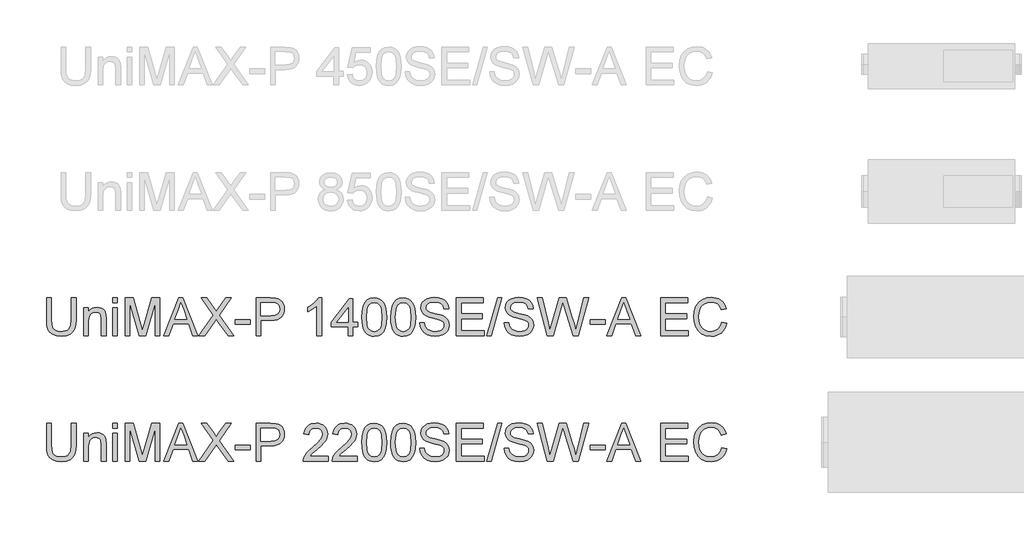
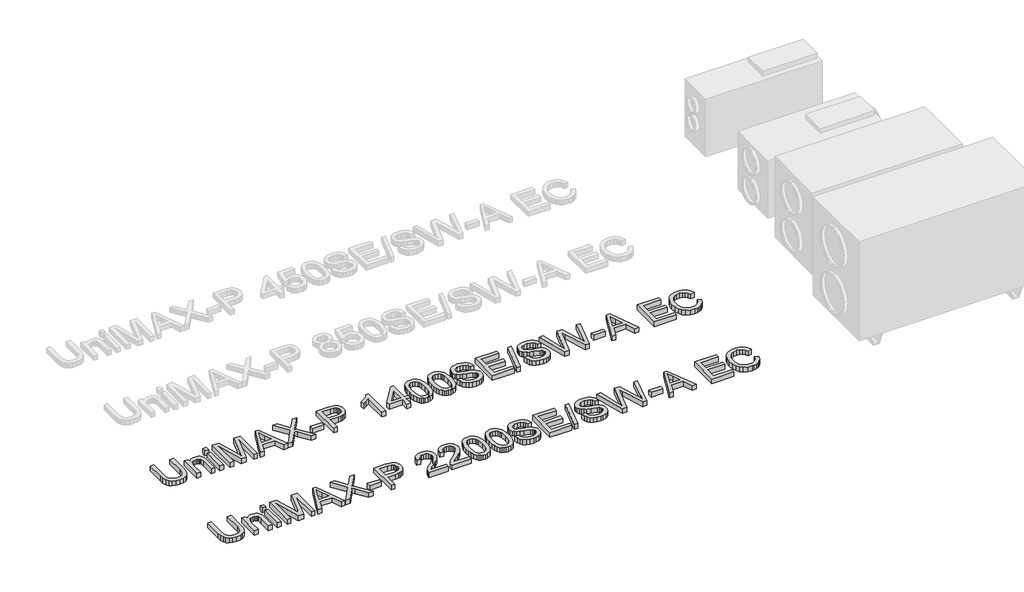
# One storey, part 5 of 74: 2 proxies.
"""IFC4 building model written with IfcOpenShell, lengths in millimetres."""

from ifc_helpers import new_model, si_unit, origin, origin_with_axes, place, context, project, spatial, polyline, outline, extrude, element, save

model = new_model("IFC4")

# Units and contexts
model_context = context("Model", 3, world=origin())
ifc_project = project(units=[si_unit("LENGTHUNIT", "METRE", prefix="MILLI")], contexts=[model_context])

# Site, building, storey
site = spatial("IfcSite", under=ifc_project)
building = spatial("IfcBuilding", under=site)
storey = spatial("IfcBuildingStorey", under=building, Elevation=0.0)

# Proxies
placement = place(None, origin())
element("IfcBuildingElementProxy", 1, Name="Generic Models", at=placement, inside=storey, context=model_context, shape_type="SweptSolid", body=[
    extrude(outline(polyline([(23020.9746871, -37731.9528304), (23058.6458034, -37731.9528304), (23058.6458034, -37905.8138613), (23056.0890235, -37946.5292011), (23048.4186839, -37977.8819441), (23034.0896802, -38002.0701853), (23011.556908, -38021.2920196), (22980.765185, -38033.8459926), (22941.6593289, -38038.0306503), (22903.4087985, -38034.3886186), (22872.8286076, -38023.4625233), (22849.9095594, -38005.6294436), (22834.6424566, -37981.2664585), (22826.061609, -37948.5893403), (22823.2013265, -37905.8138613), (22823.2013265, -37731.9528304), (22860.8724428, -37731.9528304), (22860.8724428, -37904.4894861), (22862.7302469, -37938.3438267), (22868.3036591, -37961.9158655), (22878.4020199, -37978.2406291), (22893.8346696, -37990.3531438), (22913.9578147, -37997.8579365), (22938.1276618, -38000.359534), (22976.4425716, -37995.4115212), (22990.7853709, -37989.2265052), (23001.9183998, -37980.5674827), (23010.2555255, -37968.3905887), (23016.2106153, -37951.6519579), (23020.9746871, -37904.4894861), (23020.9746871, -37731.9528304)])), origin_with_axes(), (0.0, 0.0, 1.0), 50.0),
    extrude(outline(polyline([(23119.8613674, -38033.3217608), (23119.8613674, -37812.0039525), (23157.5324837, -37812.0039525), (23157.5324837, -37842.9060401), (23170.6198857, -37827.3262376), (23186.3376439, -37816.1978072), (23204.6857584, -37809.520749), (23225.6642292, -37807.295063), (23244.2330729, -37809.0884877), (23261.2384182, -37814.4687619), (23275.4202691, -37822.7645009), (23285.5186298, -37833.30432), (23296.8126071, -37861.0058343), (23298.7991699, -37897.4261518), (23298.7991699, -38033.3217608), (23261.1280536, -38033.3217608), (23261.1280536, -37902.5029233), (23256.787046, -37869.1728146), (23250.7813724, -37859.2491977), (23241.4463668, -37851.551267), (23229.4810049, -37846.6124512), (23215.5842626, -37844.9661793), (23193.5205399, -37848.6633933), (23174.7125729, -37859.7550355), (23167.1962839, -37868.8095311), (23161.827506, -37881.1841617), (23157.5324837, -37915.8938279), (23157.5324837, -38033.3217608), (23119.8613674, -38033.3217608)])), origin_with_axes(), (0.0, 0.0, 1.0), 50.0),
    extrude(outline(polyline([(23350.5969548, -38033.3217608), (23350.5969548, -37812.0039525), (23388.2680711, -37812.0039525), (23388.2680711, -38033.3217608), (23350.5969548, -38033.3217608)])), origin_with_axes(), (0.0, 0.0, 1.0), 50.0),
    extrude(outline(polyline([(23350.5969548, -37769.6239467), (23350.5969548, -37731.9528304), (23388.2680711, -37731.9528304), (23388.2680711, -37769.6239467), (23350.5969548, -37769.6239467)])), origin_with_axes(), (0.0, 0.0, 1.0), 50.0),
    extrude(outline(polyline([(23449.4836351, -38033.3217608), (23449.4836351, -37731.9528304), (23514.3044426, -37731.9528304), (23575.961465, -37944.3678944), (23588.3958765, -37988.734463), (23601.8603575, -37940.6890744), (23662.4873103, -37731.9528304), (23727.3081178, -37731.9528304), (23727.3081178, -38033.3217608), (23689.6370015, -38033.3217608), (23689.6370015, -37769.6239467), (23613.9268869, -38033.3217608), (23562.864866, -38033.3217608), (23487.1547514, -37769.6239467), (23487.1547514, -38033.3217608), (23449.4836351, -38033.3217608)])), origin_with_axes(), (0.0, 0.0, 1.0), 50.0),
    extrude(outline(polyline([(23758.136629, -38033.3217608), (23878.4340415, -37731.9528304), (23910.5133514, -37731.9528304), (24030.8107639, -38033.3217608), (23991.005932, -38033.3217608), (23956.4986008, -37939.14397), (23832.3752157, -37939.14397), (23797.9414609, -38033.3217608), (23758.136629, -38033.3217608)]), holes=[polyline([(23846.2075787, -37901.4728537), (23942.7398142, -37901.4728537), (23915.590123, -37827.3814199), (23894.4736965, -37769.6239467), (23875.7117147, -37820.9066968), (23846.2075787, -37901.4728537)])]), origin_with_axes(), (0.0, 0.0, 1.0), 50.0),
    extrude(outline(polyline([(24038.0948274, -38033.3217608), (24154.2719614, -37869.0992382), (24056.9303855, -37731.9528304), (24102.1062945, -37731.9528304), (24156.9207118, -37809.1344729), (24175.388388, -37839.2272201), (24197.0198493, -37808.6194381), (24251.2456554, -37731.9528304), (24297.083752, -37731.9528304), (24199.7421761, -37869.5406965), (24315.9193101, -38033.3217608), (24270.7434011, -38033.3217608), (24193.3410293, -37924.1343846), (24177.2277979, -37901.4728537), (24159.4958858, -37926.3416766), (24083.932924, -38033.3217608), (24038.0948274, -38033.3217608)])), origin_with_axes(), (0.0, 0.0, 1.0), 50.0),
    extrude(outline(polyline([(24330.0459787, -37943.8528596), (24330.0459787, -37906.1817433), (24447.7682172, -37906.1817433), (24447.7682172, -37943.8528596), (24330.0459787, -37943.8528596)])), origin_with_axes(), (0.0, 0.0, 1.0), 50.0),
    extrude(outline(polyline([(24494.8571126, -38033.3217608), (24494.8571126, -37731.9528304), (24606.5460863, -37731.9528304), (24651.5748425, -37734.8223099), (24671.6520024, -37740.18419), (24688.179101, -37748.9121903), (24701.4872322, -37761.4017841), (24711.9074897, -37778.0484443), (24718.6397302, -37797.6841458), (24720.8838104, -37819.1408632), (24719.3685965, -37837.640729), (24714.8229545, -37854.6598698), (24707.2468847, -37870.1982856), (24696.6403869, -37884.2559764), (24682.0791577, -37895.9086386), (24662.6388935, -37904.2319687), (24638.3195944, -37909.2259668), (24609.1212603, -37910.8906328), (24532.5282289, -37910.8906328), (24532.5282289, -38033.3217608), (24494.8571126, -38033.3217608)]), holes=[polyline([(24532.5282289, -37873.2195165), (24611.3285523, -37873.2195165), (24644.7322374, -37869.7614257), (24666.8051571, -37859.3871535), (24679.1108099, -37842.7404932), (24683.2126941, -37820.4652384), (24680.79387, -37803.5426666), (24673.5373976, -37789.2688452), (24662.3445879, -37778.5266909), (24648.1167518, -37772.1991206), (24610.4456355, -37769.6239467), (24532.5282289, -37769.6239467), (24532.5282289, -37873.2195165)])]), origin_with_axes(), (0.0, 0.0, 1.0), 50.0),
    extrude(outline(polyline([(25017.5438513, -38033.3217608), (24979.872735, -38033.3217608), (24979.872735, -37798.4658951), (24944.1881815, -37823.8865409), (24904.5305024, -37842.9060401), (24904.5305024, -37807.295063), (24934.1174119, -37791.2002257), (24959.7495899, -37772.0519678), (24979.9555085, -37751.6896994), (24993.2636396, -37731.9528304), (25017.5438513, -37731.9528304), (25017.5438513, -38033.3217608)])), origin_with_axes(), (0.0, 0.0, 1.0), 50.0),
    extrude(outline(polyline([(25229.4438806, -38033.3217608), (25229.4438806, -37962.6884177), (25092.8860839, -37962.6884177), (25092.8860839, -37925.0173014), (25238.8616596, -37736.6617199), (25267.1149969, -37736.6617199), (25267.1149969, -37925.0173014), (25304.7861132, -37925.0173014), (25304.7861132, -37962.6884177), (25267.1149969, -37962.6884177), (25267.1149969, -38033.3217608), (25229.4438806, -38033.3217608)]), holes=[polyline([(25229.4438806, -37925.0173014), (25229.4438806, -37808.6194381), (25139.2392153, -37925.0173014), (25229.4438806, -37925.0173014)])]), origin_with_axes(), (0.0, 0.0, 1.0), 50.0),
    extrude(outline(polyline([(25337.7483399, -37885.0653167), (25340.5166519, -37836.8267901), (25348.821588, -37798.3555305), (25362.5803746, -37769.0629266), (25381.7102384, -37748.3603673), (25406.349135, -37736.0547146), (25436.6350202, -37731.9528304), (25459.8483741, -37734.3808515), (25480.6337069, -37741.664915), (25498.0161311, -37753.5199123), (25511.0207597, -37769.6607349), (25520.8432089, -37789.9494269), (25528.6790954, -37814.2480327), (25533.8110493, -37845.104135), (25535.5217005, -37885.0653167), (25532.7809797, -37933.0279319), (25524.5588171, -37971.407221), (25510.8828039, -38000.727416), (25491.7805313, -38021.5127488), (25467.0864524, -38033.9011749), (25436.6350202, -38038.0306503), (25415.8864757, -38036.2372256), (25397.4923759, -38030.8569514), (25381.452721, -38021.8898278), (25367.7675107, -38009.3358547), (25354.6341235, -37986.6421341), (25345.2531326, -37958.3658043), (25339.6245381, -37924.5068652), (25337.7483399, -37885.0653167)]), holes=[polyline([(25375.4194562, -37884.9917403), (25379.8340402, -37944.2483327), (25385.3522701, -37964.5163314), (25393.077792, -37978.5441317), (25412.7962669, -37994.9056835), (25436.6350202, -38000.359534), (25460.4737735, -37994.8872894), (25480.1922485, -37978.4705553), (25487.9177704, -37964.4197624), (25493.4360003, -37944.1563622), (25497.8505842, -37884.9917403), (25493.5831531, -37827.0687202), (25488.2488642, -37806.8674001), (25480.7808597, -37792.5062068), (25461.0991729, -37775.3445117), (25436.1935618, -37769.6239467), (25412.612326, -37774.66393), (25393.6664032, -37789.78388), (25385.6833639, -37805.4188648), (25379.981193, -37826.4985031), (25375.4194562, -37884.9917403)])]), origin_with_axes(), (0.0, 0.0, 1.0), 50.0),
    extrude(outline(polyline([(25568.4839273, -37885.0653167), (25571.2522393, -37836.8267901), (25579.5571754, -37798.3555305), (25593.315962, -37769.0629266), (25612.4458257, -37748.3603673), (25637.0847224, -37736.0547146), (25667.3706076, -37731.9528304), (25690.5839615, -37734.3808515), (25711.3692942, -37741.664915), (25728.7517185, -37753.5199123), (25741.756347, -37769.6607349), (25751.5787963, -37789.9494269), (25759.4146828, -37814.2480327), (25764.5466366, -37845.104135), (25766.2572879, -37885.0653167), (25763.5165671, -37933.0279319), (25755.2944045, -37971.407221), (25741.6183913, -38000.727416), (25722.5161187, -38021.5127488), (25697.8220398, -38033.9011749), (25667.3706076, -38038.0306503), (25646.6220631, -38036.2372256), (25628.2279633, -38030.8569514), (25612.1883083, -38021.8898278), (25598.5030981, -38009.3358547), (25585.3697109, -37986.6421341), (25575.98872, -37958.3658043), (25570.3601255, -37924.5068652), (25568.4839273, -37885.0653167)]), holes=[polyline([(25606.1550436, -37884.9917403), (25610.5696276, -37944.2483327), (25616.0878575, -37964.5163314), (25623.8133794, -37978.5441317), (25643.5318543, -37994.9056835), (25667.3706076, -38000.359534), (25691.2093609, -37994.8872894), (25710.9278358, -37978.4705553), (25718.6533577, -37964.4197624), (25724.1715877, -37944.1563622), (25728.5861716, -37884.9917403), (25724.3187405, -37827.0687202), (25718.9844515, -37806.8674001), (25711.516447, -37792.5062068), (25691.8347603, -37775.3445117), (25666.9291492, -37769.6239467), (25643.3479133, -37774.66393), (25624.4019906, -37789.78388), (25616.4189513, -37805.4188648), (25610.7167804, -37826.4985031), (25606.1550436, -37884.9917403)])]), origin_with_axes(), (0.0, 0.0, 1.0), 50.0),
    extrude(outline(polyline([(25799.2195147, -37929.726191), (25836.890631, -37929.726191), (25841.2132444, -37950.6310853), (25849.0307368, -37967.4340955), (25861.226025, -37980.7698178), (25878.6820256, -37991.2728488), (25900.0191814, -37998.0878627), (25923.8579346, -38000.359534), (25944.8456025, -37998.6396857), (25963.2213081, -37993.4801407), (25978.1113319, -37985.3131604), (25988.641954, -37974.5710062), (25994.905145, -37962.2377623), (25996.9928753, -37949.2975131), (25995.4293768, -37936.6883577), (25990.7388814, -37925.7898536), (25981.2107377, -37916.4916362), (25965.1342945, -37908.6833408), (25910.283089, -37894.2991548), (25874.2766387, -37884.7802082), (25851.2380288, -37875.7211141), (25832.4852441, -37863.0475793), (25819.195507, -37847.688506), (25811.2768471, -37829.974988), (25808.6372938, -37810.2381189), (25811.9022465, -37788.1743963), (25821.6971046, -37767.6005957), (25837.7643507, -37750.1629891), (25859.8464675, -37737.5078485), (25886.3523652, -37729.8099177), (25915.6909544, -37727.2439408), (25947.4759587, -37729.9294794), (25975.2878376, -37737.9860951), (25998.1333095, -37751.248241), (26015.0190931, -37769.5503703), (26025.706065, -37791.7520487), (26029.9551021, -37816.712842), (25992.2839858, -37816.712842), (25985.3678042, -37794.2352521), (25970.94683, -37778.0116561), (25948.4140578, -37768.1892069), (25917.1624823, -37764.9150571), (25885.1751429, -37768.1524187), (25863.2309818, -37777.8645034), (25850.539053, -37792.1567189), (25846.3084101, -37809.1344729), (25849.3066483, -37823.6106295), (25858.3013631, -37835.2540946), (25879.5649424, -37845.6651551), (25919.8112327, -37856.2969447), (25961.34511, -37866.3953055), (25986.4714502, -37875.2060793), (26007.9465617, -37888.8728954), (26022.9285559, -37905.7402849), (26031.7301327, -37925.6243067), (26034.6639916, -37948.3410199), (26031.2886743, -37971.5635709), (26021.1627224, -37993.4065643), (26004.7000031, -38012.2053343), (25982.3143837, -38026.2952147), (25955.3946187, -38035.0967914), (25925.3294626, -38038.0306503), (25888.4217015, -38034.8668652), (25858.0438457, -38025.3755097), (25833.8464075, -38009.5197957), (25815.4798989, -37987.262935), (25803.6892809, -37960.150032), (25799.2195147, -37929.726191)])), origin_with_axes(), (0.0, 0.0, 1.0), 50.0),
    extrude(outline(polyline([(26091.1706661, -38033.3217608), (26091.1706661, -37731.9528304), (26307.7795848, -37731.9528304), (26307.7795848, -37769.6239467), (26128.8417824, -37769.6239467), (26128.8417824, -37859.0928479), (26298.3618057, -37859.0928479), (26298.3618057, -37896.7639642), (26128.8417824, -37896.7639642), (26128.8417824, -37995.6506445), (26312.4884744, -37995.6506445), (26312.4884744, -38033.3217608), (26091.1706661, -38033.3217608)])), origin_with_axes(), (0.0, 0.0, 1.0), 50.0),
    extrude(outline(polyline([(26336.032922, -38033.3217608), (26420.7929337, -37731.9528304), (26454.7852301, -37731.9528304), (26370.0252184, -38033.3217608), (26336.032922, -38033.3217608)])), origin_with_axes(), (0.0, 0.0, 1.0), 50.0),
    extrude(outline(polyline([(26472.5907187, -37929.726191), (26510.261835, -37929.726191), (26514.5844484, -37950.6310853), (26522.4019408, -37967.4340955), (26534.5972289, -37980.7698178), (26552.0532296, -37991.2728488), (26573.3903853, -37998.0878627), (26597.2291386, -38000.359534), (26618.2168064, -37998.6396857), (26636.5925121, -37993.4801407), (26651.4825359, -37985.3131604), (26662.013158, -37974.5710062), (26668.2763489, -37962.2377623), (26670.3640793, -37949.2975131), (26668.8005808, -37936.6883577), (26664.1100853, -37925.7898536), (26654.5819417, -37916.4916362), (26638.5054985, -37908.6833408), (26583.654293, -37894.2991548), (26547.6478427, -37884.7802082), (26524.6092328, -37875.7211141), (26505.8564481, -37863.0475793), (26492.566711, -37847.688506), (26484.648051, -37829.974988), (26482.0084977, -37810.2381189), (26485.2734504, -37788.1743963), (26495.0683086, -37767.6005957), (26511.1355547, -37750.1629891), (26533.2176715, -37737.5078485), (26559.7235692, -37729.8099177), (26589.0621583, -37727.2439408), (26620.8471627, -37729.9294794), (26648.6590415, -37737.9860951), (26671.5045134, -37751.248241), (26688.390297, -37769.5503703), (26699.077269, -37791.7520487), (26703.326306, -37816.712842), (26665.6551897, -37816.712842), (26658.7390082, -37794.2352521), (26644.318034, -37778.0116561), (26621.7852618, -37768.1892069), (26590.5336863, -37764.9150571), (26558.5463468, -37768.1524187), (26536.6021858, -37777.8645034), (26523.910257, -37792.1567189), (26519.679614, -37809.1344729), (26522.6778523, -37823.6106295), (26531.6725671, -37835.2540946), (26552.9361464, -37845.6651551), (26593.1824367, -37856.2969447), (26634.7163139, -37866.3953055), (26659.8426542, -37875.2060793), (26681.3177657, -37888.8728954), (26696.2997599, -37905.7402849), (26705.1013367, -37925.6243067), (26708.0351956, -37948.3410199), (26704.6598783, -37971.5635709), (26694.5339263, -37993.4065643), (26678.0712071, -38012.2053343), (26655.6855877, -38026.2952147), (26628.7658227, -38035.0967914), (26598.7006666, -38038.0306503), (26561.7929054, -38034.8668652), (26531.4150497, -38025.3755097), (26507.2176115, -38009.5197957), (26488.8511028, -37987.262935), (26477.0604849, -37960.150032), (26472.5907187, -37929.726191)])), origin_with_axes(), (0.0, 0.0, 1.0), 50.0),
    extrude(outline(polyline([(26818.4733705, -38033.3217608), (26736.2885328, -37731.9528304), (26775.1368715, -37731.9528304), (26822.8143781, -37930.0204966), (26837.5296579, -37991.1624842), (26853.2750073, -37937.0838309), (26913.0190433, -37731.9528304), (26969.0106829, -37731.9528304), (27012.4207584, -37880.6507328), (27031.0171932, -37935.8330321), (27044.7207976, -37991.1624842), (27058.994619, -37931.7863301), (27107.1135839, -37731.9528304), (27145.9619226, -37731.9528304), (27063.7035085, -38033.3217608), (27023.4572182, -38033.3217608), (26951.2051944, -37800.8203398), (26941.1252277, -37768.3731479), (26929.7944623, -37807.4422158), (26863.9435851, -38033.3217608), (26818.4733705, -38033.3217608)])), origin_with_axes(), (0.0, 0.0, 1.0), 50.0),
    extrude(outline(polyline([(27160.0885912, -37943.8528596), (27160.0885912, -37906.1817433), (27277.8108297, -37906.1817433), (27277.8108297, -37943.8528596), (27160.0885912, -37943.8528596)])), origin_with_axes(), (0.0, 0.0, 1.0), 50.0),
    extrude(outline(polyline([(27289.8037827, -38033.3217608), (27410.1011952, -37731.9528304), (27442.1805051, -37731.9528304), (27562.4779176, -38033.3217608), (27522.6730857, -38033.3217608), (27488.1657545, -37939.14397), (27364.0423694, -37939.14397), (27329.6086146, -38033.3217608), (27289.8037827, -38033.3217608)]), holes=[polyline([(27377.8747324, -37901.4728537), (27474.4069679, -37901.4728537), (27447.2572767, -37827.3814199), (27426.1408502, -37769.6239467), (27407.3788684, -37820.9066968), (27377.8747324, -37901.4728537)])]), origin_with_axes(), (0.0, 0.0, 1.0), 50.0),
    extrude(outline(polyline([(27720.4464463, -38033.3217608), (27720.4464463, -37731.9528304), (27937.0553651, -37731.9528304), (27937.0553651, -37769.6239467), (27758.1175626, -37769.6239467), (27758.1175626, -37859.0928479), (27927.637586, -37859.0928479), (27927.637586, -37896.7639642), (27758.1175626, -37896.7639642), (27758.1175626, -37995.6506445), (27941.7642546, -37995.6506445), (27941.7642546, -38033.3217608), (27720.4464463, -38033.3217608)])), origin_with_axes(), (0.0, 0.0, 1.0), 50.0),
    extrude(outline(polyline([(28210.1709583, -37926.1945238), (28247.8420746, -37935.9066085), (28240.3878657, -37959.3337938), (28230.4596503, -37979.8041276), (28218.0574285, -37997.3176098), (28203.1812004, -38011.8742405), (28186.1666581, -38023.3176698), (28167.349494, -38031.4915479), (28146.7297082, -38036.3958747), (28124.3073006, -38038.0306503), (28080.6121166, -38033.0826375), (28045.9116474, -38018.238599), (28019.3137792, -37994.0135696), (27999.926398, -37960.9225842), (27988.0897948, -37922.0190632), (27984.1442604, -37880.3564272), (27988.6048296, -37836.4129229), (28001.9865372, -37798.4658951), (28023.5904074, -37767.7201573), (28052.7174643, -37745.3805232), (28087.2615837, -37731.7780864), (28125.116641, -37727.2439408), (28166.420592, -37733.1116586), (28184.3893282, -37740.4463059), (28200.5692382, -37750.7148121), (28214.6936076, -37763.6458642), (28226.4957218, -37778.9681493), (28243.133185, -37816.7864184), (28205.4620687, -37825.7627391), (28192.4022579, -37798.2911511), (28174.5599811, -37779.4463959), (28151.7145092, -37768.5478918), (28123.645113, -37764.9150571), (28091.2898915, -37768.943365), (28064.7104174, -37781.0282885), (28044.541287, -37799.9006349), (28031.4170968, -37824.2912111), (28024.2158068, -37851.8639667), (28021.8153767, -37880.2828508), (28024.6572652, -37915.0844876), (28033.1829304, -37945.1772348), (28047.7142692, -37969.4114612), (28068.5731783, -37986.6375356), (28093.579957, -37996.9290344), (28120.5549042, -38000.359534), (28151.9996178, -37995.6874327), (28178.2020129, -37981.6711287), (28197.9848672, -37958.4577748), (28210.1709583, -37926.1945238)])), origin_with_axes(), (0.0, 0.0, 1.0), 50.0),
])
element("IfcBuildingElementProxy", 2, Name="Generic Models", at=placement, inside=storey, context=model_context, shape_type="SweptSolid", body=[
    extrude(outline(polyline([(23020.9746871, -38731.9528304), (23058.6458034, -38731.9528304), (23058.6458034, -38905.8138613), (23056.0890235, -38946.5292011), (23048.4186839, -38977.8819441), (23034.0896802, -39002.0701853), (23011.556908, -39021.2920196), (22980.765185, -39033.8459926), (22941.6593289, -39038.0306503), (22903.4087985, -39034.3886186), (22872.8286076, -39023.4625233), (22849.9095594, -39005.6294436), (22834.6424566, -38981.2664585), (22826.061609, -38948.5893403), (22823.2013265, -38905.8138613), (22823.2013265, -38731.9528304), (22860.8724428, -38731.9528304), (22860.8724428, -38904.4894861), (22862.7302469, -38938.3438267), (22868.3036591, -38961.9158655), (22878.4020199, -38978.2406291), (22893.8346696, -38990.3531438), (22913.9578147, -38997.8579365), (22938.1276618, -39000.359534), (22976.4425716, -38995.4115212), (22990.7853709, -38989.2265052), (23001.9183998, -38980.5674827), (23010.2555255, -38968.3905887), (23016.2106153, -38951.6519579), (23020.9746871, -38904.4894861), (23020.9746871, -38731.9528304)])), origin_with_axes(), (0.0, 0.0, 1.0), 50.0),
    extrude(outline(polyline([(23119.8613674, -39033.3217608), (23119.8613674, -38812.0039525), (23157.5324837, -38812.0039525), (23157.5324837, -38842.9060401), (23170.6198857, -38827.3262376), (23186.3376439, -38816.1978072), (23204.6857584, -38809.520749), (23225.6642292, -38807.295063), (23244.2330729, -38809.0884877), (23261.2384182, -38814.4687619), (23275.4202691, -38822.7645009), (23285.5186298, -38833.30432), (23296.8126071, -38861.0058343), (23298.7991699, -38897.4261518), (23298.7991699, -39033.3217608), (23261.1280536, -39033.3217608), (23261.1280536, -38902.5029233), (23256.787046, -38869.1728146), (23250.7813724, -38859.2491977), (23241.4463668, -38851.551267), (23229.4810049, -38846.6124512), (23215.5842626, -38844.9661793), (23193.5205399, -38848.6633933), (23174.7125729, -38859.7550355), (23167.1962839, -38868.8095311), (23161.827506, -38881.1841617), (23157.5324837, -38915.8938279), (23157.5324837, -39033.3217608), (23119.8613674, -39033.3217608)])), origin_with_axes(), (0.0, 0.0, 1.0), 50.0),
    extrude(outline(polyline([(23350.5969548, -39033.3217608), (23350.5969548, -38812.0039525), (23388.2680711, -38812.0039525), (23388.2680711, -39033.3217608), (23350.5969548, -39033.3217608)])), origin_with_axes(), (0.0, 0.0, 1.0), 50.0),
    extrude(outline(polyline([(23350.5969548, -38769.6239467), (23350.5969548, -38731.9528304), (23388.2680711, -38731.9528304), (23388.2680711, -38769.6239467), (23350.5969548, -38769.6239467)])), origin_with_axes(), (0.0, 0.0, 1.0), 50.0),
    extrude(outline(polyline([(23449.4836351, -39033.3217608), (23449.4836351, -38731.9528304), (23514.3044426, -38731.9528304), (23575.961465, -38944.3678944), (23588.3958765, -38988.734463), (23601.8603575, -38940.6890744), (23662.4873103, -38731.9528304), (23727.3081178, -38731.9528304), (23727.3081178, -39033.3217608), (23689.6370015, -39033.3217608), (23689.6370015, -38769.6239467), (23613.9268869, -39033.3217608), (23562.864866, -39033.3217608), (23487.1547514, -38769.6239467), (23487.1547514, -39033.3217608), (23449.4836351, -39033.3217608)])), origin_with_axes(), (0.0, 0.0, 1.0), 50.0),
    extrude(outline(polyline([(23758.136629, -39033.3217608), (23878.4340415, -38731.9528304), (23910.5133514, -38731.9528304), (24030.8107639, -39033.3217608), (23991.005932, -39033.3217608), (23956.4986008, -38939.14397), (23832.3752157, -38939.14397), (23797.9414609, -39033.3217608), (23758.136629, -39033.3217608)]), holes=[polyline([(23846.2075787, -38901.4728537), (23942.7398142, -38901.4728537), (23915.590123, -38827.3814199), (23894.4736965, -38769.6239467), (23875.7117147, -38820.9066968), (23846.2075787, -38901.4728537)])]), origin_with_axes(), (0.0, 0.0, 1.0), 50.0),
    extrude(outline(polyline([(24038.0948274, -39033.3217608), (24154.2719614, -38869.0992382), (24056.9303855, -38731.9528304), (24102.1062945, -38731.9528304), (24156.9207118, -38809.1344729), (24175.388388, -38839.2272201), (24197.0198493, -38808.6194381), (24251.2456554, -38731.9528304), (24297.083752, -38731.9528304), (24199.7421761, -38869.5406965), (24315.9193101, -39033.3217608), (24270.7434011, -39033.3217608), (24193.3410293, -38924.1343846), (24177.2277979, -38901.4728537), (24159.4958858, -38926.3416766), (24083.932924, -39033.3217608), (24038.0948274, -39033.3217608)])), origin_with_axes(), (0.0, 0.0, 1.0), 50.0),
    extrude(outline(polyline([(24330.0459787, -38943.8528596), (24330.0459787, -38906.1817433), (24447.7682172, -38906.1817433), (24447.7682172, -38943.8528596), (24330.0459787, -38943.8528596)])), origin_with_axes(), (0.0, 0.0, 1.0), 50.0),
    extrude(outline(polyline([(24494.8571126, -39033.3217608), (24494.8571126, -38731.9528304), (24606.5460863, -38731.9528304), (24651.5748425, -38734.8223099), (24671.6520024, -38740.18419), (24688.179101, -38748.9121903), (24701.4872322, -38761.4017841), (24711.9074897, -38778.0484443), (24718.6397302, -38797.6841458), (24720.8838104, -38819.1408632), (24719.3685965, -38837.640729), (24714.8229545, -38854.6598698), (24707.2468847, -38870.1982856), (24696.6403869, -38884.2559764), (24682.0791577, -38895.9086386), (24662.6388935, -38904.2319687), (24638.3195944, -38909.2259668), (24609.1212603, -38910.8906328), (24532.5282289, -38910.8906328), (24532.5282289, -39033.3217608), (24494.8571126, -39033.3217608)]), holes=[polyline([(24532.5282289, -38873.2195165), (24611.3285523, -38873.2195165), (24644.7322374, -38869.7614257), (24666.8051571, -38859.3871535), (24679.1108099, -38842.7404932), (24683.2126941, -38820.4652384), (24680.79387, -38803.5426666), (24673.5373976, -38789.2688452), (24662.3445879, -38778.5266909), (24648.1167518, -38772.1991206), (24610.4456355, -38769.6239467), (24532.5282289, -38769.6239467), (24532.5282289, -38873.2195165)])]), origin_with_axes(), (0.0, 0.0, 1.0), 50.0),
    extrude(outline(polyline([(25069.3416363, -38995.6506445), (25069.3416363, -39033.3217608), (24871.5682756, -39033.3217608), (24875.6149776, -39007.3492919), (24884.903998, -38987.0514029), (24898.4972377, -38967.3605191), (24918.1605303, -38946.7499303), (24945.6597095, -38923.6929262), (24986.3106699, -38887.5853084), (25010.7012462, -38860.9322579), (25022.8965344, -38839.3007965), (25026.9616304, -38818.2579464), (25023.1264606, -38799.3947971), (25011.6209512, -38783.7138271), (24993.9350243, -38773.1464168), (24971.5586019, -38769.6239467), (24948.0601395, -38773.0636433), (24929.8039955, -38783.3827333), (24918.0225746, -38799.7718762), (24913.9482815, -38821.4217316), (24876.2771652, -38816.712842), (24885.4098357, -38780.2741304), (24893.9561943, -38765.7381931), (24905.1559018, -38753.6578681), (24918.7514408, -38744.1619141), (24934.4852939, -38737.3790898), (24972.3679423, -38731.9528304), (24992.5577661, -38733.4611465), (25010.5265023, -38737.9860951), (25026.2741509, -38745.527676), (25039.800712, -38756.0858892), (25050.6647272, -38768.8789856), (25058.424738, -38783.1252159), (25063.0807445, -38798.82458), (25064.6327467, -38815.9770781), (25062.9588836, -38833.9940988), (25057.9372944, -38851.6984198), (25049.0253531, -38869.7062434), (25035.6804337, -38888.6337721), (25014.4076573, -38911.2309237), (24981.712145, -38940.247616), (24938.375646, -38976.4839925), (24921.3794978, -38995.6506445), (25069.3416363, -38995.6506445)])), origin_with_axes(), (0.0, 0.0, 1.0), 50.0),
    extrude(outline(polyline([(25300.0772236, -38995.6506445), (25300.0772236, -39033.3217608), (25102.303863, -39033.3217608), (25106.350565, -39007.3492919), (25115.6395853, -38987.0514029), (25129.2328251, -38967.3605191), (25148.8961177, -38946.7499303), (25176.3952968, -38923.6929262), (25217.0462573, -38887.5853084), (25241.4368336, -38860.9322579), (25253.6321217, -38839.3007965), (25257.6972178, -38818.2579464), (25253.862048, -38799.3947971), (25242.3565386, -38783.7138271), (25224.6706117, -38773.1464168), (25202.2941893, -38769.6239467), (25178.7957269, -38773.0636433), (25160.5395829, -38783.3827333), (25148.758162, -38799.7718762), (25144.6838689, -38821.4217316), (25107.0127526, -38816.712842), (25116.1454231, -38780.2741304), (25124.6917817, -38765.7381931), (25135.8914892, -38753.6578681), (25149.4870282, -38744.1619141), (25165.2208812, -38737.3790898), (25203.1035297, -38731.9528304), (25223.2933534, -38733.4611465), (25241.2620896, -38737.9860951), (25257.0097383, -38745.527676), (25270.5362994, -38756.0858892), (25281.4003146, -38768.8789856), (25289.1603254, -38783.1252159), (25293.8163319, -38798.82458), (25295.3683341, -38815.9770781), (25293.694471, -38833.9940988), (25288.6728818, -38851.6984198), (25279.7609404, -38869.7062434), (25266.4160211, -38888.6337721), (25245.1432447, -38911.2309237), (25212.4477324, -38940.247616), (25169.1112333, -38976.4839925), (25152.1150852, -38995.6506445), (25300.0772236, -38995.6506445)])), origin_with_axes(), (0.0, 0.0, 1.0), 50.0),
    extrude(outline(polyline([(25337.7483399, -38885.0653167), (25340.5166519, -38836.8267901), (25348.821588, -38798.3555305), (25362.5803746, -38769.0629266), (25381.7102384, -38748.3603673), (25406.349135, -38736.0547146), (25436.6350202, -38731.9528304), (25459.8483741, -38734.3808515), (25480.6337069, -38741.664915), (25498.0161311, -38753.5199123), (25511.0207597, -38769.6607349), (25520.8432089, -38789.9494269), (25528.6790954, -38814.2480327), (25533.8110493, -38845.104135), (25535.5217005, -38885.0653167), (25532.7809797, -38933.0279319), (25524.5588171, -38971.407221), (25510.8828039, -39000.727416), (25491.7805313, -39021.5127488), (25467.0864524, -39033.9011749), (25436.6350202, -39038.0306503), (25415.8864757, -39036.2372256), (25397.4923759, -39030.8569514), (25381.452721, -39021.8898278), (25367.7675107, -39009.3358547), (25354.6341235, -38986.6421341), (25345.2531326, -38958.3658043), (25339.6245381, -38924.5068652), (25337.7483399, -38885.0653167)]), holes=[polyline([(25375.4194562, -38884.9917403), (25379.8340402, -38944.2483327), (25385.3522701, -38964.5163314), (25393.077792, -38978.5441317), (25412.7962669, -38994.9056835), (25436.6350202, -39000.359534), (25460.4737735, -38994.8872894), (25480.1922485, -38978.4705553), (25487.9177704, -38964.4197624), (25493.4360003, -38944.1563622), (25497.8505842, -38884.9917403), (25493.5831531, -38827.0687202), (25488.2488642, -38806.8674001), (25480.7808597, -38792.5062068), (25461.0991729, -38775.3445117), (25436.1935618, -38769.6239467), (25412.612326, -38774.66393), (25393.6664032, -38789.78388), (25385.6833639, -38805.4188648), (25379.981193, -38826.4985031), (25375.4194562, -38884.9917403)])]), origin_with_axes(), (0.0, 0.0, 1.0), 50.0),
    extrude(outline(polyline([(25568.4839273, -38885.0653167), (25571.2522393, -38836.8267901), (25579.5571754, -38798.3555305), (25593.315962, -38769.0629266), (25612.4458257, -38748.3603673), (25637.0847224, -38736.0547146), (25667.3706076, -38731.9528304), (25690.5839615, -38734.3808515), (25711.3692942, -38741.664915), (25728.7517185, -38753.5199123), (25741.756347, -38769.6607349), (25751.5787963, -38789.9494269), (25759.4146828, -38814.2480327), (25764.5466366, -38845.104135), (25766.2572879, -38885.0653167), (25763.5165671, -38933.0279319), (25755.2944045, -38971.407221), (25741.6183913, -39000.727416), (25722.5161187, -39021.5127488), (25697.8220398, -39033.9011749), (25667.3706076, -39038.0306503), (25646.6220631, -39036.2372256), (25628.2279633, -39030.8569514), (25612.1883083, -39021.8898278), (25598.5030981, -39009.3358547), (25585.3697109, -38986.6421341), (25575.98872, -38958.3658043), (25570.3601255, -38924.5068652), (25568.4839273, -38885.0653167)]), holes=[polyline([(25606.1550436, -38884.9917403), (25610.5696276, -38944.2483327), (25616.0878575, -38964.5163314), (25623.8133794, -38978.5441317), (25643.5318543, -38994.9056835), (25667.3706076, -39000.359534), (25691.2093609, -38994.8872894), (25710.9278358, -38978.4705553), (25718.6533577, -38964.4197624), (25724.1715877, -38944.1563622), (25728.5861716, -38884.9917403), (25724.3187405, -38827.0687202), (25718.9844515, -38806.8674001), (25711.516447, -38792.5062068), (25691.8347603, -38775.3445117), (25666.9291492, -38769.6239467), (25643.3479133, -38774.66393), (25624.4019906, -38789.78388), (25616.4189513, -38805.4188648), (25610.7167804, -38826.4985031), (25606.1550436, -38884.9917403)])]), origin_with_axes(), (0.0, 0.0, 1.0), 50.0),
    extrude(outline(polyline([(25799.2195147, -38929.726191), (25836.890631, -38929.726191), (25841.2132444, -38950.6310853), (25849.0307368, -38967.4340955), (25861.226025, -38980.7698178), (25878.6820256, -38991.2728488), (25900.0191814, -38998.0878627), (25923.8579346, -39000.359534), (25944.8456025, -38998.6396857), (25963.2213081, -38993.4801407), (25978.1113319, -38985.3131604), (25988.641954, -38974.5710062), (25994.905145, -38962.2377623), (25996.9928753, -38949.2975131), (25995.4293768, -38936.6883577), (25990.7388814, -38925.7898536), (25981.2107377, -38916.4916362), (25965.1342945, -38908.6833408), (25910.283089, -38894.2991548), (25874.2766387, -38884.7802082), (25851.2380288, -38875.7211141), (25832.4852441, -38863.0475793), (25819.195507, -38847.688506), (25811.2768471, -38829.974988), (25808.6372938, -38810.2381189), (25811.9022465, -38788.1743963), (25821.6971046, -38767.6005957), (25837.7643507, -38750.1629891), (25859.8464675, -38737.5078485), (25886.3523652, -38729.8099177), (25915.6909544, -38727.2439408), (25947.4759587, -38729.9294794), (25975.2878376, -38737.9860951), (25998.1333095, -38751.248241), (26015.0190931, -38769.5503703), (26025.706065, -38791.7520487), (26029.9551021, -38816.712842), (25992.2839858, -38816.712842), (25985.3678042, -38794.2352521), (25970.94683, -38778.0116561), (25948.4140578, -38768.1892069), (25917.1624823, -38764.9150571), (25885.1751429, -38768.1524187), (25863.2309818, -38777.8645034), (25850.539053, -38792.1567189), (25846.3084101, -38809.1344729), (25849.3066483, -38823.6106295), (25858.3013631, -38835.2540946), (25879.5649424, -38845.6651551), (25919.8112327, -38856.2969447), (25961.34511, -38866.3953055), (25986.4714502, -38875.2060793), (26007.9465617, -38888.8728954), (26022.9285559, -38905.7402849), (26031.7301327, -38925.6243067), (26034.6639916, -38948.3410199), (26031.2886743, -38971.5635709), (26021.1627224, -38993.4065643), (26004.7000031, -39012.2053343), (25982.3143837, -39026.2952147), (25955.3946187, -39035.0967914), (25925.3294626, -39038.0306503), (25888.4217015, -39034.8668652), (25858.0438457, -39025.3755097), (25833.8464075, -39009.5197957), (25815.4798989, -38987.262935), (25803.6892809, -38960.150032), (25799.2195147, -38929.726191)])), origin_with_axes(), (0.0, 0.0, 1.0), 50.0),
    extrude(outline(polyline([(26091.1706661, -39033.3217608), (26091.1706661, -38731.9528304), (26307.7795848, -38731.9528304), (26307.7795848, -38769.6239467), (26128.8417824, -38769.6239467), (26128.8417824, -38859.0928479), (26298.3618057, -38859.0928479), (26298.3618057, -38896.7639642), (26128.8417824, -38896.7639642), (26128.8417824, -38995.6506445), (26312.4884744, -38995.6506445), (26312.4884744, -39033.3217608), (26091.1706661, -39033.3217608)])), origin_with_axes(), (0.0, 0.0, 1.0), 50.0),
    extrude(outline(polyline([(26336.032922, -39033.3217608), (26420.7929337, -38731.9528304), (26454.7852301, -38731.9528304), (26370.0252184, -39033.3217608), (26336.032922, -39033.3217608)])), origin_with_axes(), (0.0, 0.0, 1.0), 50.0),
    extrude(outline(polyline([(26472.5907187, -38929.726191), (26510.261835, -38929.726191), (26514.5844484, -38950.6310853), (26522.4019408, -38967.4340955), (26534.5972289, -38980.7698178), (26552.0532296, -38991.2728488), (26573.3903853, -38998.0878627), (26597.2291386, -39000.359534), (26618.2168064, -38998.6396857), (26636.5925121, -38993.4801407), (26651.4825359, -38985.3131604), (26662.013158, -38974.5710062), (26668.2763489, -38962.2377623), (26670.3640793, -38949.2975131), (26668.8005808, -38936.6883577), (26664.1100853, -38925.7898536), (26654.5819417, -38916.4916362), (26638.5054985, -38908.6833408), (26583.654293, -38894.2991548), (26547.6478427, -38884.7802082), (26524.6092328, -38875.7211141), (26505.8564481, -38863.0475793), (26492.566711, -38847.688506), (26484.648051, -38829.974988), (26482.0084977, -38810.2381189), (26485.2734504, -38788.1743963), (26495.0683086, -38767.6005957), (26511.1355547, -38750.1629891), (26533.2176715, -38737.5078485), (26559.7235692, -38729.8099177), (26589.0621583, -38727.2439408), (26620.8471627, -38729.9294794), (26648.6590415, -38737.9860951), (26671.5045134, -38751.248241), (26688.390297, -38769.5503703), (26699.077269, -38791.7520487), (26703.326306, -38816.712842), (26665.6551897, -38816.712842), (26658.7390082, -38794.2352521), (26644.318034, -38778.0116561), (26621.7852618, -38768.1892069), (26590.5336863, -38764.9150571), (26558.5463468, -38768.1524187), (26536.6021858, -38777.8645034), (26523.910257, -38792.1567189), (26519.679614, -38809.1344729), (26522.6778523, -38823.6106295), (26531.6725671, -38835.2540946), (26552.9361464, -38845.6651551), (26593.1824367, -38856.2969447), (26634.7163139, -38866.3953055), (26659.8426542, -38875.2060793), (26681.3177657, -38888.8728954), (26696.2997599, -38905.7402849), (26705.1013367, -38925.6243067), (26708.0351956, -38948.3410199), (26704.6598783, -38971.5635709), (26694.5339263, -38993.4065643), (26678.0712071, -39012.2053343), (26655.6855877, -39026.2952147), (26628.7658227, -39035.0967914), (26598.7006666, -39038.0306503), (26561.7929054, -39034.8668652), (26531.4150497, -39025.3755097), (26507.2176115, -39009.5197957), (26488.8511028, -38987.262935), (26477.0604849, -38960.150032), (26472.5907187, -38929.726191)])), origin_with_axes(), (0.0, 0.0, 1.0), 50.0),
    extrude(outline(polyline([(26818.4733705, -39033.3217608), (26736.2885328, -38731.9528304), (26775.1368715, -38731.9528304), (26822.8143781, -38930.0204966), (26837.5296579, -38991.1624842), (26853.2750073, -38937.0838309), (26913.0190433, -38731.9528304), (26969.0106829, -38731.9528304), (27012.4207584, -38880.6507328), (27031.0171932, -38935.8330321), (27044.7207976, -38991.1624842), (27058.994619, -38931.7863301), (27107.1135839, -38731.9528304), (27145.9619226, -38731.9528304), (27063.7035085, -39033.3217608), (27023.4572182, -39033.3217608), (26951.2051944, -38800.8203398), (26941.1252277, -38768.3731479), (26929.7944623, -38807.4422158), (26863.9435851, -39033.3217608), (26818.4733705, -39033.3217608)])), origin_with_axes(), (0.0, 0.0, 1.0), 50.0),
    extrude(outline(polyline([(27160.0885912, -38943.8528596), (27160.0885912, -38906.1817433), (27277.8108297, -38906.1817433), (27277.8108297, -38943.8528596), (27160.0885912, -38943.8528596)])), origin_with_axes(), (0.0, 0.0, 1.0), 50.0),
    extrude(outline(polyline([(27289.8037827, -39033.3217608), (27410.1011952, -38731.9528304), (27442.1805051, -38731.9528304), (27562.4779176, -39033.3217608), (27522.6730857, -39033.3217608), (27488.1657545, -38939.14397), (27364.0423694, -38939.14397), (27329.6086146, -39033.3217608), (27289.8037827, -39033.3217608)]), holes=[polyline([(27377.8747324, -38901.4728537), (27474.4069679, -38901.4728537), (27447.2572767, -38827.3814199), (27426.1408502, -38769.6239467), (27407.3788684, -38820.9066968), (27377.8747324, -38901.4728537)])]), origin_with_axes(), (0.0, 0.0, 1.0), 50.0),
    extrude(outline(polyline([(27720.4464463, -39033.3217608), (27720.4464463, -38731.9528304), (27937.0553651, -38731.9528304), (27937.0553651, -38769.6239467), (27758.1175626, -38769.6239467), (27758.1175626, -38859.0928479), (27927.637586, -38859.0928479), (27927.637586, -38896.7639642), (27758.1175626, -38896.7639642), (27758.1175626, -38995.6506445), (27941.7642546, -38995.6506445), (27941.7642546, -39033.3217608), (27720.4464463, -39033.3217608)])), origin_with_axes(), (0.0, 0.0, 1.0), 50.0),
    extrude(outline(polyline([(28210.1709583, -38926.1945238), (28247.8420746, -38935.9066085), (28240.3878657, -38959.3337938), (28230.4596503, -38979.8041276), (28218.0574285, -38997.3176098), (28203.1812004, -39011.8742405), (28186.1666581, -39023.3176698), (28167.349494, -39031.4915479), (28146.7297082, -39036.3958747), (28124.3073006, -39038.0306503), (28080.6121166, -39033.0826375), (28045.9116474, -39018.238599), (28019.3137792, -38994.0135696), (27999.926398, -38960.9225842), (27988.0897948, -38922.0190632), (27984.1442604, -38880.3564272), (27988.6048296, -38836.4129229), (28001.9865372, -38798.4658951), (28023.5904074, -38767.7201573), (28052.7174643, -38745.3805232), (28087.2615837, -38731.7780864), (28125.116641, -38727.2439408), (28166.420592, -38733.1116586), (28184.3893282, -38740.4463059), (28200.5692382, -38750.7148121), (28214.6936076, -38763.6458642), (28226.4957218, -38778.9681493), (28243.133185, -38816.7864184), (28205.4620687, -38825.7627391), (28192.4022579, -38798.2911511), (28174.5599811, -38779.4463959), (28151.7145092, -38768.5478918), (28123.645113, -38764.9150571), (28091.2898915, -38768.943365), (28064.7104174, -38781.0282885), (28044.541287, -38799.9006349), (28031.4170968, -38824.2912111), (28024.2158068, -38851.8639667), (28021.8153767, -38880.2828508), (28024.6572652, -38915.0844876), (28033.1829304, -38945.1772348), (28047.7142692, -38969.4114612), (28068.5731783, -38986.6375356), (28093.579957, -38996.9290344), (28120.5549042, -39000.359534), (28151.9996178, -38995.6874327), (28178.2020129, -38981.6711287), (28197.9848672, -38958.4577748), (28210.1709583, -38926.1945238)])), origin_with_axes(), (0.0, 0.0, 1.0), 50.0),
])

save(model, "model.ifc")
